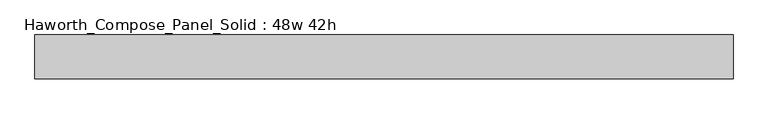
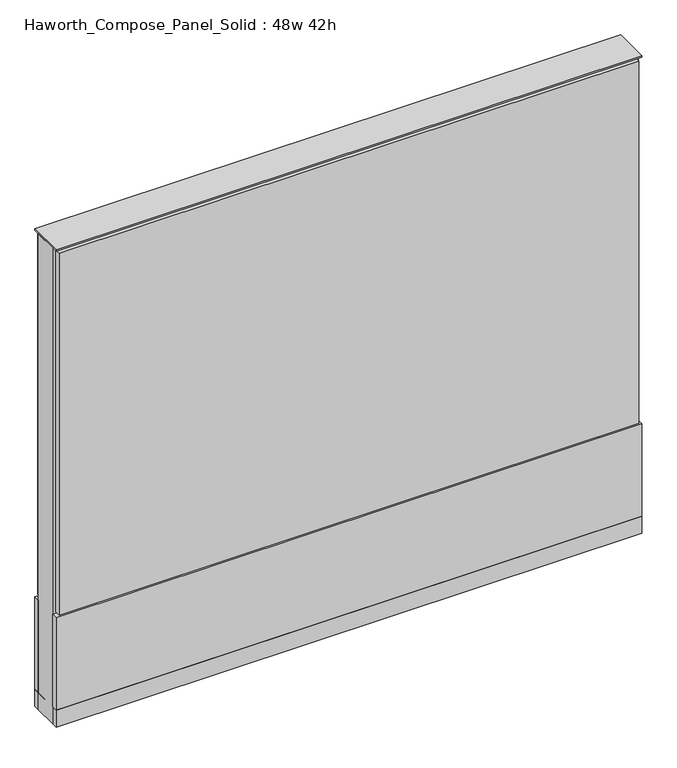
"""IFC4 building model written with IfcOpenShell, lengths in millimetres: furniture geometry, Haworth_Compose_Panel_Solid : 48w 42h."""

from ifc_helpers import new_model, si_unit, point, frame, frame_2d, origin, origin_with_axes, place, context, project, spatial, polyline, circle_curve, trimmed, segment, composite_curve, outline, extrude, source, transform, mapped, element, save


def haworth_compose_panel_solid_48w_42h_f87af9ae(model_context):
    return source(origin(), model_context, "Body", "SweptSolid", [
        extrude(outline(composite_curve([segment(trimmed(circle_curve(frame_2d((-530.9597098, 0.0)), 12.7), [point((-543.6597098, 0.0))], [point((-518.2597098, 0.0))], False, "CARTESIAN"), True, "CONTINUOUS"), segment(trimmed(circle_curve(frame_2d((-530.9597098, 0.0)), 12.7), [point((-518.2597098, 0.0))], [point((-543.6597098, 0.0))], False, "CARTESIAN"), True, "CONTINUOUS")], self_intersect=False)), origin_with_axes(), (0.0, 0.0, 1.0), 12.7),
        extrude(outline(composite_curve([segment(trimmed(circle_curve(frame_2d((535.8402902, 0.0)), 12.7), [point((523.1402902, 0.0))], [point((548.5402902, 0.0))], False, "CARTESIAN"), True, "CONTINUOUS"), segment(trimmed(circle_curve(frame_2d((535.8402902, 0.0)), 12.7), [point((548.5402902, 0.0))], [point((523.1402902, 0.0))], False, "CARTESIAN"), True, "CONTINUOUS")], self_intersect=False)), origin_with_axes(), (0.0, 0.0, 1.0), 12.7),
        extrude(outline(polyline([(605.6902902, 38.1), (605.6902902, 25.4), (-600.8097098, 25.4), (-600.8097098, 38.1), (605.6902902, 38.1)])), frame((0.0, 0.0, 257.175), z_axis=(0.0, 0.0, 1.0), x_axis=(1.0, 0.0, 0.0)), (0.0, 0.0, 1.0), 796.925),
        extrude(outline(polyline([(612.0402902, 38.1), (612.0402902, 25.4), (-607.1597098, 25.4), (-607.1597098, 38.1), (612.0402902, 38.1)])), frame((0.0, 0.0, 50.8), z_axis=(0.0, 0.0, 1.0), x_axis=(1.0, 0.0, 0.0)), (0.0, 0.0, 1.0), 203.2),
        extrude(outline(polyline([(612.0402902, -38.1), (-607.1597098, -38.1), (-607.1597098, -25.4), (612.0402902, -25.4), (612.0402902, -38.1)])), frame((0.0, 0.0, 50.8), z_axis=(0.0, 0.0, 1.0), x_axis=(1.0, 0.0, 0.0)), (0.0, 0.0, 1.0), 203.2),
        extrude(outline(polyline([(605.6902902, -38.1), (-600.8097098, -38.1), (-600.8097098, -25.4), (605.6902902, -25.4), (605.6902902, -38.1)])), frame((0.0, 0.0, 257.175), z_axis=(0.0, 0.0, 1.0), x_axis=(1.0, 0.0, 0.0)), (0.0, 0.0, 1.0), 796.925),
        extrude(outline(polyline([(612.0402902, 25.4), (612.0402902, -25.4), (-607.1597098, -25.4), (-607.1597098, 25.4), (612.0402902, 25.4)])), frame((0.0, 0.0, 12.7), z_axis=(0.0, 0.0, 1.0), x_axis=(1.0, 0.0, 0.0)), (0.0, 0.0, 1.0), 1047.75),
        extrude(outline(polyline([(-607.1597098, -38.1), (-607.1597098, 38.1), (612.0402902, 38.1), (612.0402902, -38.1), (-607.1597098, -38.1)])), frame((0.0, 0.0, 12.7), z_axis=(0.0, 0.0, 1.0), x_axis=(1.0, 0.0, 0.0)), (0.0, 0.0, 1.0), 38.1),
        extrude(outline(polyline([(-607.1597098, -38.1), (-607.1597098, 38.1), (612.0402902, 38.1), (612.0402902, -38.1), (-607.1597098, -38.1)])), frame((0.0, 0.0, 1060.45), z_axis=(0.0, 0.0, 1.0), x_axis=(1.0, 0.0, 0.0)), (0.0, 0.0, 1.0), 3.175),
    ])


if __name__ == "__main__":
    model = new_model("IFC4")
    model_context = context("Model", 3, world=origin())
    ifc_project = project(units=[si_unit("LENGTHUNIT", "METRE", prefix="MILLI")], contexts=[model_context])
    site = spatial("IfcSite", under=ifc_project)
    building = spatial("IfcBuilding", under=site)
    placement = place(None, origin())
    haworth_compose_panel_solid_48w_42h_shape = haworth_compose_panel_solid_48w_42h_f87af9ae(model_context)
    element("IfcFurniture", 1, ObjectType="Haworth_Compose_Panel_Solid : 48w 42h", at=placement, inside=building, context=model_context, shape_type="MappedRepresentation", body=[
        mapped(haworth_compose_panel_solid_48w_42h_shape, transform((0.0, 0.0, 0.0), x_axis=(1.0, 0.0, 0.0), y_axis=(0.0, 1.0, 0.0), z_axis=(0.0, 0.0, 1.0))),
    ])
    save(model, "model.ifc")
